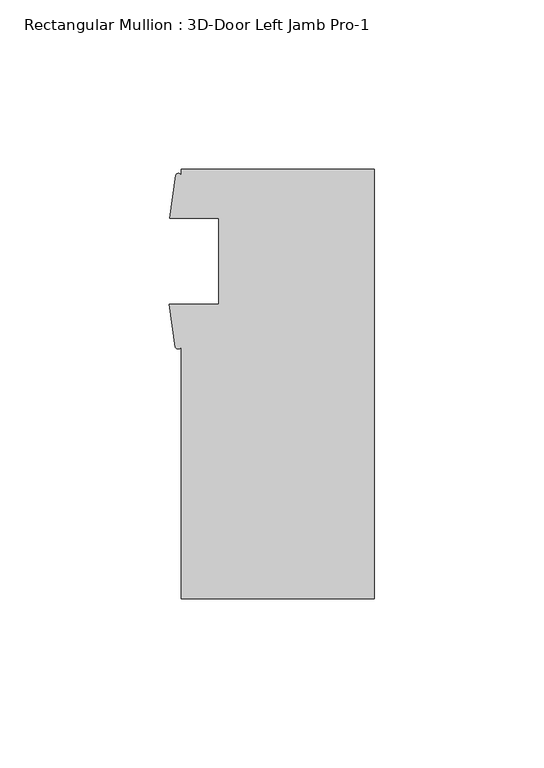
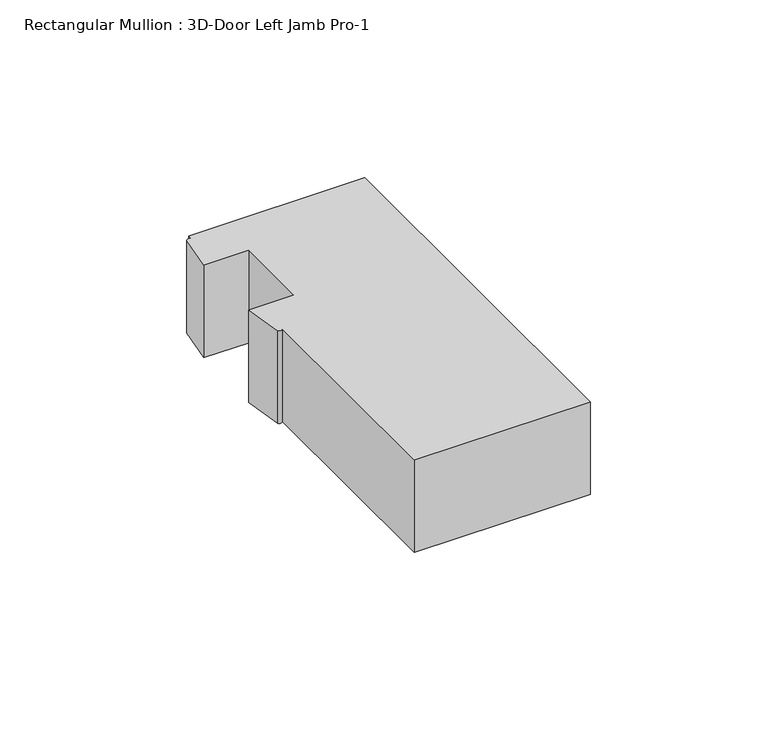
"""IFC4 building model written with IfcOpenShell, lengths in millimetres: member geometry, Rectangular Mullion : 3D-Door Left Jamb Pro-1."""

from ifc_helpers import new_model, si_unit, point, frame, frame_2d, origin, place, context, project, spatial, polyline, circle_curve, trimmed, segment, composite_curve, outline, extrude, source, transform, mapped, element, save


def rectangular_mullion_3d_door_left_jamb_pro_1_529b211c(model_context):
    return source(origin(), model_context, "Body", "SweptSolid", [
        extrude(outline(composite_curve([segment(polyline([(28.575, 53.975), (28.575, -73.025), (-28.575, -73.025), (-28.575, 1.2984222)]), True, "CONTINUOUS"), segment(trimmed(circle_curve(frame_2d((-29.4067022, 1.7696653)), 0.9559281), [point((-28.575, 1.2984222))], [point((-30.2384044, 1.2984222))], False, "CARTESIAN"), True, "CONTINUOUS"), segment(polyline([(-30.2384044, 1.2984222), (-32.0932005, 14.0623825), (-17.4625, 14.0623825), (-17.4625, 39.471475), (-31.971, 39.471475), (-30.1608963, 52.2427625)]), True, "CONTINUOUS"), segment(trimmed(circle_curve(frame_2d((-29.3679481, 51.7868457)), 0.9146731), [point((-30.1608963, 52.2427625))], [point((-28.575, 52.2427625))], False, "CARTESIAN"), True, "CONTINUOUS"), segment(polyline([(-28.575, 52.2427625), (-28.575, 53.975), (28.575, 53.975)]), True, "CONTINUOUS")], self_intersect=False)), frame((0.0, 0.0, -31.8407782), z_axis=(0.0, 0.0, 1.0), x_axis=(1.0, 0.0, 0.0)), (0.0, 0.0, 1.0), 31.8407782),
    ])


if __name__ == "__main__":
    model = new_model("IFC4")
    model_context = context("Model", 3, world=origin())
    ifc_project = project(units=[si_unit("LENGTHUNIT", "METRE", prefix="MILLI")], contexts=[model_context])
    site = spatial("IfcSite", under=ifc_project)
    building = spatial("IfcBuilding", under=site)
    placement = place(None, origin())
    rectangular_mullion_3d_door_left_jamb_pro_1_shape = rectangular_mullion_3d_door_left_jamb_pro_1_529b211c(model_context)
    element("IfcMember", 1, ObjectType="Rectangular Mullion : 3D-Door Left Jamb Pro-1", at=placement, inside=building, context=model_context, shape_type="MappedRepresentation", body=[
        mapped(rectangular_mullion_3d_door_left_jamb_pro_1_shape, transform((0.0, 0.0, 0.0), x_axis=(1.0, 0.0, 0.0), y_axis=(0.0, 1.0, 0.0), z_axis=(0.0, 0.0, 1.0))),
    ])
    save(model, "model.ifc")
